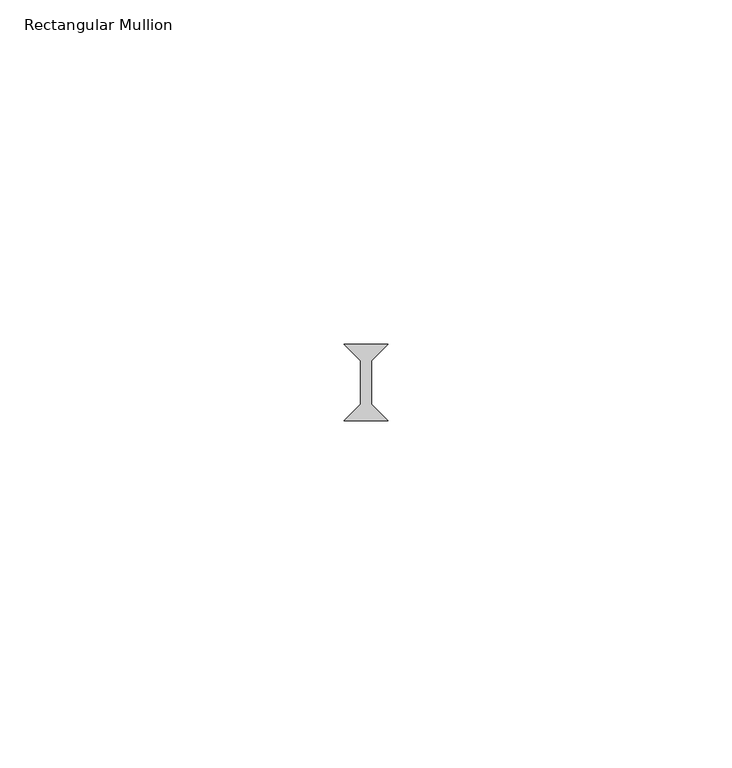
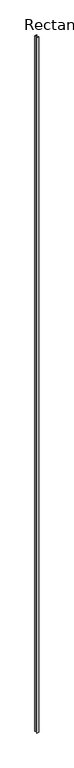
"""IFC4 building model written with IfcOpenShell, lengths in millimetres: member geometry, Rectangular Mullion."""

from ifc_helpers import new_model, si_unit, frame, origin, place, context, project, spatial, polyline, outline, extrude, source, transform, mapped, element, save


def rectangular_mullion_7071f66f(model_context):
    return source(origin(), model_context, "Body", "SweptSolid", [
        extrude(outline(polyline([(3.175, 35.71875), (0.79375, 33.3375), (0.79375, 26.9875), (3.175, 24.60625), (-3.175, 24.60625), (-0.79375, 26.9875), (-0.79375, 33.3375), (-3.175, 35.71875), (3.175, 35.71875)])), frame((0.0, 0.0, -2359.025), z_axis=(0.0, 0.0, 1.0), x_axis=(1.0, 0.0, 0.0)), (0.0, 0.0, 1.0), 2359.025),
    ])


if __name__ == "__main__":
    model = new_model("IFC4")
    model_context = context("Model", 3, world=origin())
    ifc_project = project(units=[si_unit("LENGTHUNIT", "METRE", prefix="MILLI")], contexts=[model_context])
    site = spatial("IfcSite", under=ifc_project)
    building = spatial("IfcBuilding", under=site)
    placement = place(None, origin())
    rectangular_mullion_shape = rectangular_mullion_7071f66f(model_context)
    element("IfcMember", 1, ObjectType="Rectangular Mullion", at=placement, inside=building, context=model_context, shape_type="MappedRepresentation", body=[
        mapped(rectangular_mullion_shape, transform((0.0, 0.0, 0.0), x_axis=(1.0, 0.0, 0.0), y_axis=(0.0, 1.0, 0.0), z_axis=(0.0, 0.0, 1.0))),
    ])
    save(model, "model.ifc")
